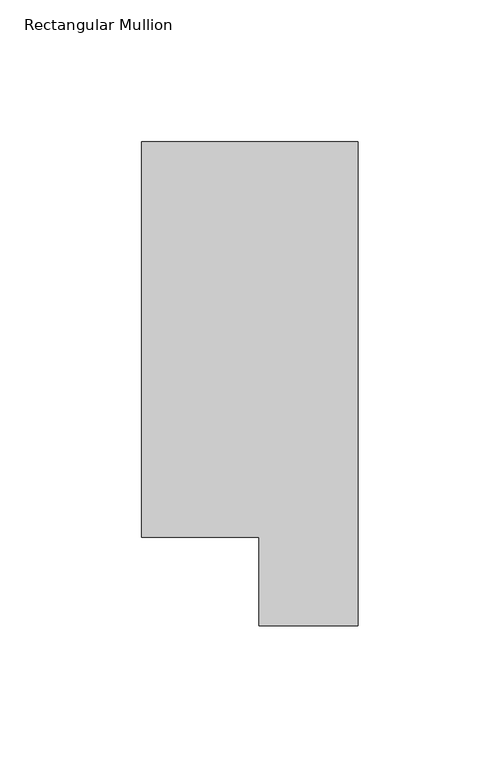
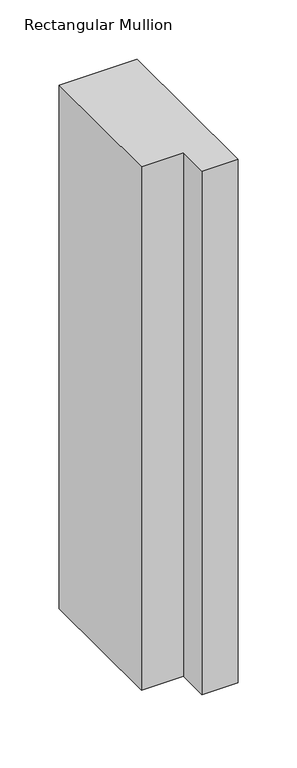
"""IFC4 building model written with IfcOpenShell, lengths in millimetres: member geometry, Rectangular Mullion."""

from ifc_helpers import new_model, si_unit, frame, origin, place, context, project, spatial, polyline, outline, extrude, source, transform, mapped, element, save


def rectangular_mullion_4b374a22(model_context):
    return source(origin(), model_context, "Body", "SweptSolid", [
        extrude(outline(polyline([(-76.2, 190.0007313), (0.0, 190.0007313), (0.0, 19.5667313), (-34.9123, 19.5667313), (-34.9123, 50.820278), (-76.2, 50.820278), (-76.2, 190.0007313)])), frame((0.0, 0.0, -540.071852), z_axis=(0.0, 0.0, 1.0), x_axis=(1.0, 0.0, 0.0)), (0.0, 0.0, 1.0), 540.071852),
    ])


if __name__ == "__main__":
    model = new_model("IFC4")
    model_context = context("Model", 3, world=origin())
    ifc_project = project(units=[si_unit("LENGTHUNIT", "METRE", prefix="MILLI")], contexts=[model_context])
    site = spatial("IfcSite", under=ifc_project)
    building = spatial("IfcBuilding", under=site)
    placement = place(None, origin())
    rectangular_mullion_shape = rectangular_mullion_4b374a22(model_context)
    element("IfcMember", 1, ObjectType="Rectangular Mullion", at=placement, inside=building, context=model_context, shape_type="MappedRepresentation", body=[
        mapped(rectangular_mullion_shape, transform((0.0, 0.0, 0.0), x_axis=(1.0, 0.0, 0.0), y_axis=(0.0, 1.0, 0.0), z_axis=(0.0, 0.0, 1.0))),
    ])
    save(model, "model.ifc")
